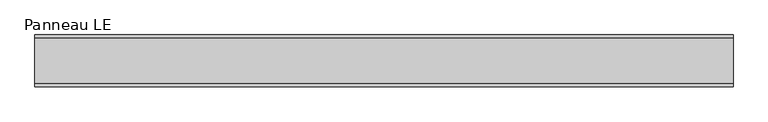
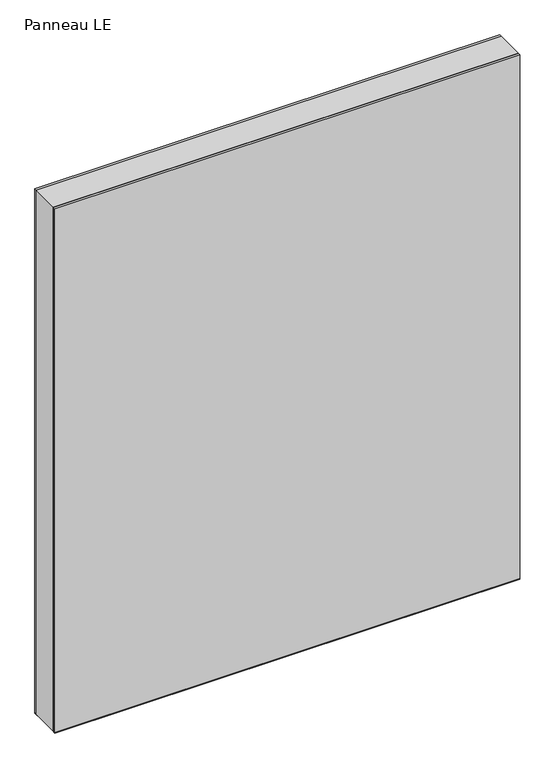
"""IFC4 building model written with IfcOpenShell, lengths in millimetres: plate geometry, Panneau LE."""

from ifc_helpers import new_model, si_unit, frame, origin, origin_with_axes, place, context, project, spatial, polyline, outline, extrude, source, transform, mapped, element, save


def panneau_le_3b9f5f8c(model_context):
    return source(origin(), model_context, "Body", "SweptSolid", [
        extrude(outline(polyline([(1446.5, 606.9999999), (1446.5, -606.9999999), (0.0, -606.9999999), (0.0, 606.9999999), (1446.5, 606.9999999)]), holes=[polyline([(60.0, -566.9999999), (1420.5, -566.9999999), (1420.5, 566.9999999), (60.0, 566.9999999), (60.0, -566.9999999)])]), frame((0.0, -39.0, 0.0), z_axis=(0.0, 1.0, 0.0), x_axis=(0.0, 0.0, 1.0)), (0.0, 0.0, 1.0), 78.0),
        extrude(outline(polyline([(-606.9999999, 35.0), (-606.9999999, 45.0), (606.9999999, 45.0), (606.9999999, 35.0), (-606.9999999, 35.0)])), frame((0.0, 0.0, -1.5), z_axis=(0.0, 0.0, 1.0), x_axis=(1.0, 0.0, 0.0)), (0.0, 0.0, 1.0), 1.5),
        extrude(outline(polyline([(-606.9999999, -45.0), (-606.9999999, -35.0), (606.9999999, -35.0), (606.9999999, -45.0), (-606.9999999, -45.0)])), frame((0.0, 0.0, -1.5), z_axis=(0.0, 0.0, 1.0), x_axis=(1.0, 0.0, 0.0)), (0.0, 0.0, 1.0), 1.5),
        extrude(outline(polyline([(606.9999999, 39.0), (-606.9999999, 39.0), (-606.9999999, 45.0), (606.9999999, 45.0), (606.9999999, 39.0)])), origin_with_axes(), (0.0, 0.0, 1.0), 1446.5),
        extrude(outline(polyline([(-606.9999999, -45.0), (-606.9999999, -39.0), (606.9999999, -39.0), (606.9999999, -45.0), (-606.9999999, -45.0)])), origin_with_axes(), (0.0, 0.0, 1.0), 1446.5),
    ])


if __name__ == "__main__":
    model = new_model("IFC4")
    model_context = context("Model", 3, world=origin())
    ifc_project = project(units=[si_unit("LENGTHUNIT", "METRE", prefix="MILLI")], contexts=[model_context])
    site = spatial("IfcSite", under=ifc_project)
    building = spatial("IfcBuilding", under=site)
    placement = place(None, origin())
    panneau_le_shape = panneau_le_3b9f5f8c(model_context)
    element("IfcPlate", 1, ObjectType="Panneau LE", at=placement, inside=building, context=model_context, shape_type="MappedRepresentation", body=[
        mapped(panneau_le_shape, transform((0.0, 0.0, 0.0), x_axis=(1.0, 0.0, 0.0), y_axis=(0.0, 1.0, 0.0), z_axis=(0.0, 0.0, 1.0))),
    ])
    save(model, "model.ifc")
